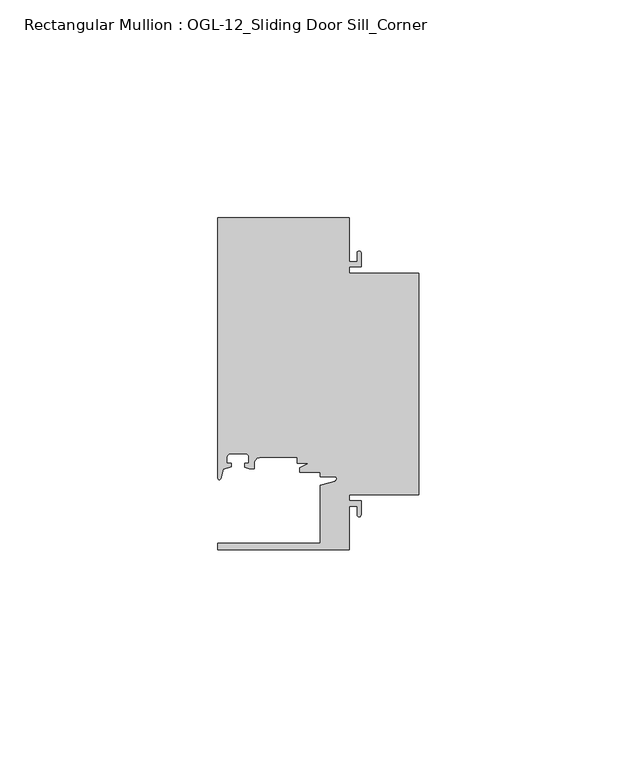
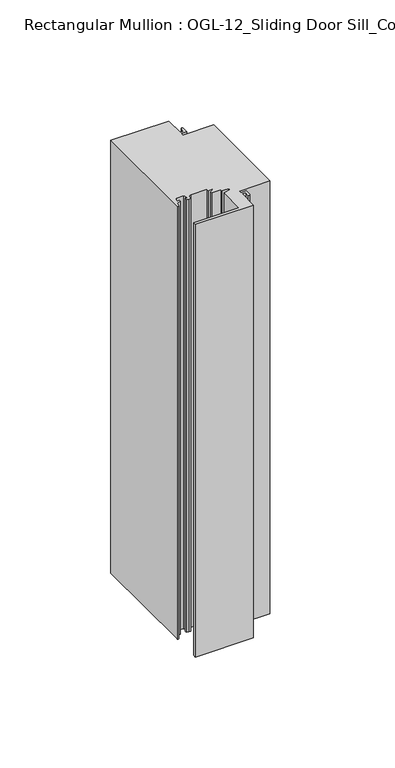
"""IFC4 building model written with IfcOpenShell, lengths in millimetres: member geometry, Rectangular Mullion : OGL-12_Sliding Door Sill_Corner."""

from ifc_helpers import new_model, si_unit, point, frame, frame_2d, origin, place, context, project, spatial, polyline, circle_curve, trimmed, segment, composite_curve, outline, extrude, source, transform, mapped, element, save


def rectangular_mullion_ogl_12_sliding_door_sill_corner_6282fd54(model_context):
    return source(origin(), model_context, "Body", "SweptSolid", [
        extrude(outline(composite_curve([segment(polyline([(0.0, 4.7625), (-15.934238, 4.7625), (-15.934238, 3.3151991), (-13.2417195, 3.3151991), (-13.2417195, 0.1196497)]), True, "CONTINUOUS"), segment(trimmed(circle_curve(frame_2d((-13.6974747, 0.1196497)), 0.4557552), [point((-13.2417195, 0.1196497))], [point((-14.15323, 0.1196497))], False, "CARTESIAN"), True, "CONTINUOUS"), segment(polyline([(-14.15323, 0.1196497), (-14.15323, 2.1086991), (-15.934238, 2.1086991), (-15.934238, -7.9371792), (-46.0931306, -7.9371792), (-46.0931306, -6.3496792), (-22.6260049, -6.3496792), (-22.6260049, 6.8788334), (-19.2086572, 7.8587421)]), True, "CONTINUOUS"), segment(trimmed(circle_curve(frame_2d((-19.3562398, 8.373424)), 0.5354233), [point((-19.2086572, 7.8587421))], [point((-19.3562398, 8.9088472))], True, "CARTESIAN"), True, "CONTINUOUS"), segment(polyline([(-19.3562398, 8.9088472), (-22.6027094, 8.9088472), (-22.6027094, 9.9460025), (-27.2970068, 9.9460025), (-27.2970068, 10.896705), (-25.1995125, 12.0119625), (-27.9268052, 12.0119625), (-27.9268052, 13.2988211), (-36.3386331, 13.2988211)]), True, "CONTINUOUS"), segment(trimmed(circle_curve(frame_2d((-36.3386331, 11.8846104)), 1.4142107), [point((-36.3386331, 13.2988211))], [point((-37.7528423, 11.8825031))], True, "CARTESIAN"), True, "CONTINUOUS"), segment(polyline([(-37.7528423, 11.8825031), (-37.7528423, 10.6805611), (-38.8813571, 10.7133647), (-39.9812066, 11.0948795), (-39.9812066, 11.9378256), (-39.0028438, 11.9378256), (-39.0028438, 13.3878227)]), True, "CONTINUOUS"), segment(trimmed(circle_curve(frame_2d((-39.8028422, 13.3878227)), 0.7999984), [point((-39.0028438, 13.3878227))], [point((-39.8028422, 14.1878211))], True, "CARTESIAN"), True, "CONTINUOUS"), segment(polyline([(-39.8028422, 14.1878211), (-43.2028354, 14.1878211)]), True, "CONTINUOUS"), segment(trimmed(circle_curve(frame_2d((-43.2028354, 13.3878227)), 0.7999984), [point((-43.2028354, 14.1878211))], [point((-44.0028338, 13.3878227))], True, "CARTESIAN"), True, "CONTINUOUS"), segment(polyline([(-44.0028338, 13.3878227), (-44.0028338, 11.9378256), (-43.0244711, 11.9378256), (-43.0244711, 11.1260664), (-44.83413, 10.5380726), (-45.434586, 8.4440335)]), True, "CONTINUOUS"), segment(trimmed(circle_curve(frame_2d((-45.7573546, 8.5365859)), 0.335776), [point((-45.434586, 8.4440335))], [point((-46.0931306, 8.5365859))], False, "CARTESIAN"), True, "CONTINUOUS"), segment(polyline([(-46.0931306, 8.5365859), (-46.0931306, 68.2628208), (-15.934238, 68.2628208), (-15.934238, 58.2169425), (-14.15323, 58.2169425), (-14.15323, 60.2053503)]), True, "CONTINUOUS"), segment(trimmed(circle_curve(frame_2d((-13.6974747, 60.2053503)), 0.4557552), [point((-14.15323, 60.2053503))], [point((-13.2417195, 60.2053503))], False, "CARTESIAN"), True, "CONTINUOUS"), segment(polyline([(-13.2417195, 60.2053503), (-13.2417195, 57.0104425), (-15.934238, 57.0104425), (-15.934238, 55.5625), (0.0, 55.5625), (0.0, 4.7625)]), True, "CONTINUOUS")], self_intersect=False)), frame((0.0, 0.0, -238.1259345), z_axis=(0.0, 0.0, 1.0), x_axis=(1.0, 0.0, 0.0)), (0.0, 0.0, 1.0), 238.1259345),
    ])


if __name__ == "__main__":
    model = new_model("IFC4")
    model_context = context("Model", 3, world=origin())
    ifc_project = project(units=[si_unit("LENGTHUNIT", "METRE", prefix="MILLI")], contexts=[model_context])
    site = spatial("IfcSite", under=ifc_project)
    building = spatial("IfcBuilding", under=site)
    placement = place(None, origin())
    rectangular_mullion_ogl_12_sliding_door_sill_corner_shape = rectangular_mullion_ogl_12_sliding_door_sill_corner_6282fd54(model_context)
    element("IfcMember", 1, ObjectType="Rectangular Mullion : OGL-12_Sliding Door Sill_Corner", at=placement, inside=building, context=model_context, shape_type="MappedRepresentation", body=[
        mapped(rectangular_mullion_ogl_12_sliding_door_sill_corner_shape, transform((0.0, 0.0, 0.0), x_axis=(1.0, 0.0, 0.0), y_axis=(0.0, 1.0, 0.0), z_axis=(0.0, 0.0, 1.0))),
    ])
    save(model, "model.ifc")
